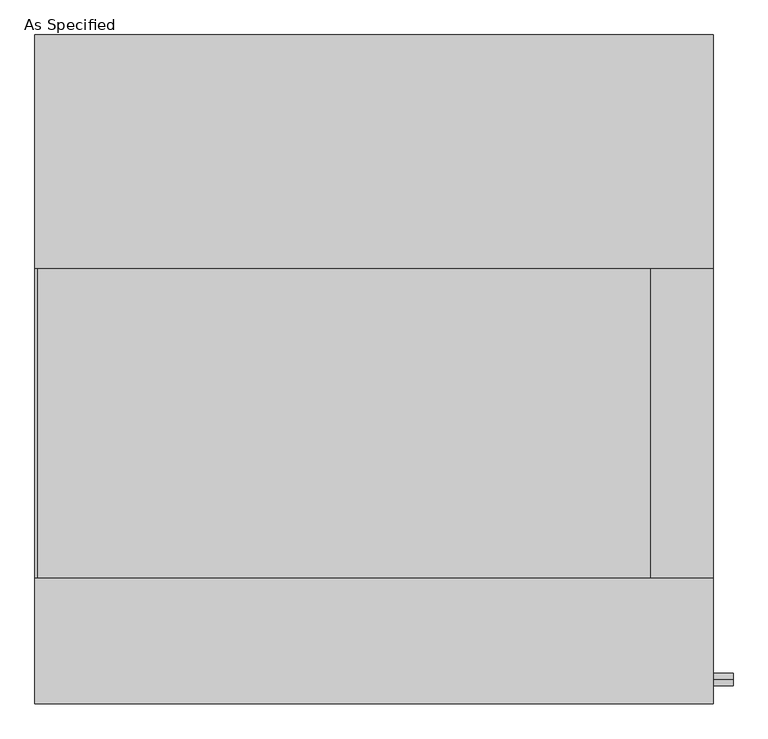
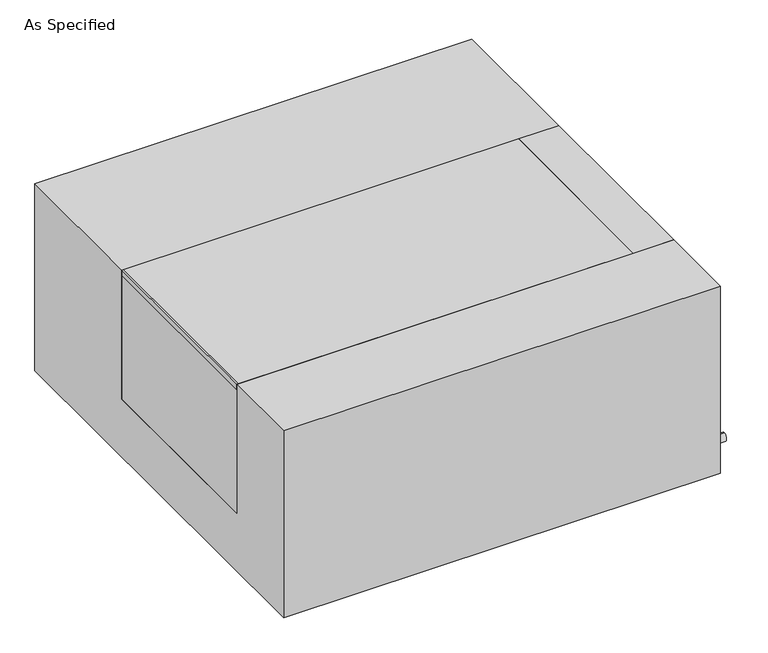
"""IFC4 building model written with IfcOpenShell, lengths in millimetres: proxy geometry, As Specified."""

import ifcopenshell
import ifcopenshell.guid

model = None  # the IFC model being written
_history = None  # IfcOwnerHistory: only IFC2X3 demands one
_inside = {}  # id of a spatial element -> (the spatial element, [elements in it])
_under = {}  # id of a project, library or spatial element -> (it, [spatial elements below it])
_declared = {}  # id of a project -> (the project, [libraries it declares])
_typed = {}  # id of a type object -> (the type object, [elements of that type])
_made_of = {}  # id of a material, layer set ... -> (it, [elements and type objects made of it])


def new_model(schema):
    """Start an empty IFC model of exactly this schema.

    Asked for "IFC4X3", IfcOpenShell would pick the latest addendum, in which some entities
    have other attributes; the version numbers below select the first issue.
    IFC2X3 requires an IfcOwnerHistory on every rooted entity: one is made here for all.
    """
    global model, _history
    if schema == "IFC4X3":
        model = ifcopenshell.file(schema_version=(4, 3, 0, 0))
    else:
        model = ifcopenshell.file(schema=schema)
    _inside.clear()
    _under.clear()
    _declared.clear()
    _typed.clear()
    _made_of.clear()
    _history = None
    if model.schema == "IFC2X3":
        org = make("IfcOrganization", Name="unknown")
        user = make(
            "IfcPersonAndOrganization",
            ThePerson=make("IfcPerson", FamilyName="unknown"),
            TheOrganization=org,
        )
        app = make(
            "IfcApplication",
            ApplicationDeveloper=org,
            Version="unknown",
            ApplicationFullName="unknown",
            ApplicationIdentifier="unknown",
        )
        _history = make(
            "IfcOwnerHistory",
            OwningUser=user,
            OwningApplication=app,
            ChangeAction="ADDED",
            CreationDate=0,
        )
    return model


def make(cls, **values):
    """One entity of the class cls with the attributes given. An attribute that is None is left unset."""
    return model.create_entity(
        cls, **{name: value for name, value in values.items() if value is not None}
    )


def rooted(cls, **values):
    """An entity with a GlobalId (a new one), such as an element, a storey or a relation."""
    return make(cls, GlobalId=ifcopenshell.guid.new(), OwnerHistory=_history, **values)


def si_unit(unit_type, name, prefix=None):
    """IfcSIUnit, for example si_unit("LENGTHUNIT", "METRE", prefix="MILLI")."""
    return make("IfcSIUnit", UnitType=unit_type, Prefix=prefix, Name=name)


def assignment(units):
    """IfcUnitAssignment: the units of a project."""
    return None if units is None else make("IfcUnitAssignment", Units=units)


def point(xyz):
    """IfcCartesianPoint."""
    return None if xyz is None else make("IfcCartesianPoint", Coordinates=xyz)


def direction(xyz):
    """IfcDirection."""
    return None if xyz is None else make("IfcDirection", DirectionRatios=xyz)


def frame(location, z_axis=None, x_axis=None):
    """IfcAxis2Placement3D, a coordinate frame: its origin and axes. An axis left out is left unset."""
    return make(
        "IfcAxis2Placement3D",
        Location=point(location),
        Axis=direction(z_axis),
        RefDirection=direction(x_axis),
    )


def frame_2d(location, x_axis=None):
    """IfcAxis2Placement2D, a coordinate frame in the plane: its origin and x axis."""
    return make(
        "IfcAxis2Placement2D", Location=point(location), RefDirection=direction(x_axis)
    )


def origin():
    """The frame at (0, 0, 0) with its axes left unset."""
    return frame((0.0, 0.0, 0.0))


def place(relative_to, where):
    """IfcLocalPlacement: puts the frame where relative to a parent placement (None: the world)."""
    return make(
        "IfcLocalPlacement", PlacementRelTo=relative_to, RelativePlacement=where
    )


def context(
    kind, dimensions, precision=None, world=None, true_north=None, identifier=None
):
    """IfcGeometricRepresentationContext, for example the 3D "Model" context."""
    return make(
        "IfcGeometricRepresentationContext",
        ContextIdentifier=identifier,
        ContextType=kind,
        CoordinateSpaceDimension=dimensions,
        Precision=precision,
        WorldCoordinateSystem=world,
        TrueNorth=true_north,
    )


def project(units=None, contexts=None):
    """IfcProject with its units and contexts."""
    return rooted(
        "IfcProject",
        Name="project",
        RepresentationContexts=contexts,
        UnitsInContext=assignment(units),
    )


def spatial(cls, under=None, at=None, **own):
    """A site, building, storey or space (cls), placed at a placement, below another one or the project."""
    s = rooted(cls, ObjectPlacement=at, **own)
    if under is not None:
        _under.setdefault(under.id(), (under, []))[1].append(s)
    return s


def polyline(points):
    """IfcPolyline through the points."""
    return make("IfcPolyline", Points=[point(p) for p in points])


def circle_curve(where, radius):
    """IfcCircle in the frame where."""
    return make("IfcCircle", Position=where, Radius=radius)


def trimmed(basis, trim1, trim2, sense, master):
    """IfcTrimmedCurve: the piece of a basis curve between two trims."""
    return make(
        "IfcTrimmedCurve",
        BasisCurve=basis,
        Trim1=trim1,
        Trim2=trim2,
        SenseAgreement=sense,
        MasterRepresentation=master,
    )


def segment(curve, same_sense, transition):
    """IfcCompositeCurveSegment."""
    return make(
        "IfcCompositeCurveSegment",
        Transition=transition,
        SameSense=same_sense,
        ParentCurve=curve,
    )


def composite_curve(segments, self_intersect=None):
    """IfcCompositeCurve: segments joined end to end."""
    return make("IfcCompositeCurve", Segments=segments, SelfIntersect=self_intersect)


def outline(outer, holes=None, kind="AREA"):
    """IfcArbitraryClosedProfileDef: a profile drawn as a closed curve; with holes, ...WithVoids."""
    if holes is None:
        return make("IfcArbitraryClosedProfileDef", ProfileType=kind, OuterCurve=outer)
    return make(
        "IfcArbitraryProfileDefWithVoids",
        ProfileType=kind,
        OuterCurve=outer,
        InnerCurves=holes,
    )


def extrude(swept, where, along, depth):
    """IfcExtrudedAreaSolid: the profile swept, set in the frame where, extruded along a direction by depth."""
    return make(
        "IfcExtrudedAreaSolid",
        SweptArea=swept,
        Position=where,
        ExtrudedDirection=direction(along),
        Depth=depth,
    )


def shape(context_of_items, identifier, shape_type, items):
    """IfcShapeRepresentation: the items that make up one representation, for example the "Body"."""
    return make(
        "IfcShapeRepresentation",
        ContextOfItems=context_of_items,
        RepresentationIdentifier=identifier,
        RepresentationType=shape_type,
        Items=items,
    )


def source(mapping_origin, context_of_items, identifier, shape_type, items):
    """IfcRepresentationMap: a shape defined once, which mapped items show again and again."""
    return make(
        "IfcRepresentationMap",
        MappingOrigin=mapping_origin,
        MappedRepresentation=shape(context_of_items, identifier, shape_type, items),
    )


def transform(
    local_origin,
    x_axis=None,
    y_axis=None,
    z_axis=None,
    scale=None,
    scale2=None,
    scale3=None,
    uniform=True,
):
    """IfcCartesianTransformationOperator3D, or its non-uniform kind. x_axis, y_axis, z_axis: its Axis1, 2, 3."""
    if uniform:
        return make(
            "IfcCartesianTransformationOperator3D",
            Axis1=direction(x_axis),
            Axis2=direction(y_axis),
            LocalOrigin=point(local_origin),
            Scale=scale,
            Axis3=direction(z_axis),
        )
    return make(
        "IfcCartesianTransformationOperator3DnonUniform",
        Axis1=direction(x_axis),
        Axis2=direction(y_axis),
        LocalOrigin=point(local_origin),
        Scale=scale,
        Axis3=direction(z_axis),
        Scale2=scale2,
        Scale3=scale3,
    )


def mapped(mapping_source, mapping_target):
    """IfcMappedItem: shows the shape of a source again, moved by a transform."""
    return make(
        "IfcMappedItem", MappingSource=mapping_source, MappingTarget=mapping_target
    )


def made_of(thing, what):
    """Note that an element or type object is made of a material, layer set ...; save() writes the relation."""
    if what is not None:
        _made_of.setdefault(what.id(), (what, []))[1].append(thing)
    return thing


def element(
    cls,
    number,
    at=None,
    inside=None,
    cuts=None,
    type_object=None,
    material=None,
    context=None,
    identifier="Body",
    shape_type=None,
    held_by="IfcProductDefinitionShape",
    body=None,
    shapes=None,
    **own,
):
    """One element of the class cls, such as IfcWall. Its Tag is "e" and its number.

    at: its placement. inside: the storey or other place that contains it. cuts: it is an
    opening in that element (IfcRelVoidsElement). A single representation is given by context,
    identifier, shape_type and body (its items); several are given by shapes. held_by: the class
    of the entity that holds the representations. save() writes the other relations.
    """
    e = rooted(cls, Tag="e%d" % number, ObjectPlacement=at, **own)
    if body is not None:
        shapes = [shape(context, identifier, shape_type, body)]
    if shapes is not None:
        e.Representation = make(held_by, Representations=shapes)
    if inside is not None:
        _inside.setdefault(inside.id(), (inside, []))[1].append(e)
    if cuts is not None:
        rooted(
            "IfcRelVoidsElement", RelatingBuildingElement=cuts, RelatedOpeningElement=e
        )
    if type_object is not None:
        _typed.setdefault(type_object.id(), (type_object, []))[1].append(e)
    return made_of(e, material)


def aggregate(whole, parts):
    """IfcRelAggregates: a whole, such as a stair, and the parts it consists of."""
    return rooted("IfcRelAggregates", RelatingObject=whole, RelatedObjects=parts)


def save(model, path):
    """Write the relations noted so far, then the file.

    IfcRelAggregates (storeys below a building ...), IfcRelContainedInSpatialStructure (elements
    in a storey), IfcRelDefinesByType, IfcRelAssociatesMaterial and IfcRelDeclares: one each for
    every whole, place, type object, material and project.
    """
    for whole, parts in _under.values():
        aggregate(whole, parts)
    for where, things in _inside.values():
        rooted(
            "IfcRelContainedInSpatialStructure",
            RelatedElements=things,
            RelatingStructure=where,
        )
    for kind, things in _typed.values():
        rooted("IfcRelDefinesByType", RelatedObjects=things, RelatingType=kind)
    for what, things in _made_of.values():
        rooted("IfcRelAssociatesMaterial", RelatedObjects=things, RelatingMaterial=what)
    for by, libraries in _declared.values():
        rooted("IfcRelDeclares", RelatingContext=by, RelatedDefinitions=libraries)
    model.write(path)


def as_specified_5b02856d(model_context):
    return source(origin(), model_context, "Body", "SweptSolid", [
        extrude(outline(composite_curve([segment(trimmed(circle_curve(frame_2d((-509.5875, -466.725)), 10.5), [point((-509.5875, -456.225))], [point((-509.5875, -477.225))], False, "CARTESIAN"), True, "CONTINUOUS"), segment(trimmed(circle_curve(frame_2d((-509.5875, -466.725)), 10.5), [point((-509.5875, -477.225))], [point((-509.5875, -456.225))], False, "CARTESIAN"), True, "CONTINUOUS")], self_intersect=False)), frame((558.00625, 0.0, 0.0), z_axis=(1.0, 0.0, 0.0), x_axis=(0.0, 1.0, 0.0)), (0.0, 0.0, 1.0), 31.8403384),
        extrude(outline(polyline([(454.81875, -342.9), (454.81875, 165.1), (557.2125, 165.1), (557.2125, -342.9), (454.81875, -342.9)])), frame((0.0, 0.0, -373.0625), z_axis=(0.0, 0.0, 1.0), x_axis=(1.0, 0.0, 0.0)), (0.0, 0.0, 1.0), 347.6625),
        extrude(outline(polyline([(-557.2125, 165.1), (-553.24375, 165.1), (-553.24375, -342.9), (-557.2125, -342.9), (-557.2125, 165.1)])), frame((0.0, 0.0, -39.6875), z_axis=(0.0, 0.0, 1.0), x_axis=(1.0, 0.0, 0.0)), (0.0, 0.0, 1.0), 14.2875),
        extrude(outline(polyline([(454.81875, 165.1), (454.81875, -342.9), (-557.2125, -342.9), (-557.2125, 165.1), (454.81875, 165.1)])), frame((0.0, 0.0, -373.0625), z_axis=(0.0, 0.0, 1.0), x_axis=(1.0, 0.0, 0.0)), (0.0, 0.0, 1.0), 347.6625),
        extrude(outline(polyline([(549.275, -25.4), (549.275, -530.225), (-549.275, -530.225), (-549.275, -25.4), (-342.9, -25.4), (-342.9, -373.0625), (165.1, -373.0625), (165.1, -25.4), (549.275, -25.4)])), frame((-557.2125, 0.0, 0.0), z_axis=(1.0, 0.0, 0.0), x_axis=(0.0, 1.0, 0.0)), (0.0, 0.0, 1.0), 1114.425),
    ])


if __name__ == "__main__":
    model = new_model("IFC4")
    model_context = context("Model", 3, world=origin())
    ifc_project = project(units=[si_unit("LENGTHUNIT", "METRE", prefix="MILLI")], contexts=[model_context])
    site = spatial("IfcSite", under=ifc_project)
    building = spatial("IfcBuilding", under=site)
    placement = place(None, origin())
    as_specified_shape = as_specified_5b02856d(model_context)
    element("IfcBuildingElementProxy", 1, Name="As Specified", ObjectType="As Specified", at=placement, inside=building, context=model_context, shape_type="MappedRepresentation", body=[
        mapped(as_specified_shape, transform((0.0, 0.0, 0.0), x_axis=(1.0, 0.0, 0.0), y_axis=(0.0, 1.0, 0.0), z_axis=(0.0, 0.0, 1.0))),
    ])
    save(model, "model.ifc")
